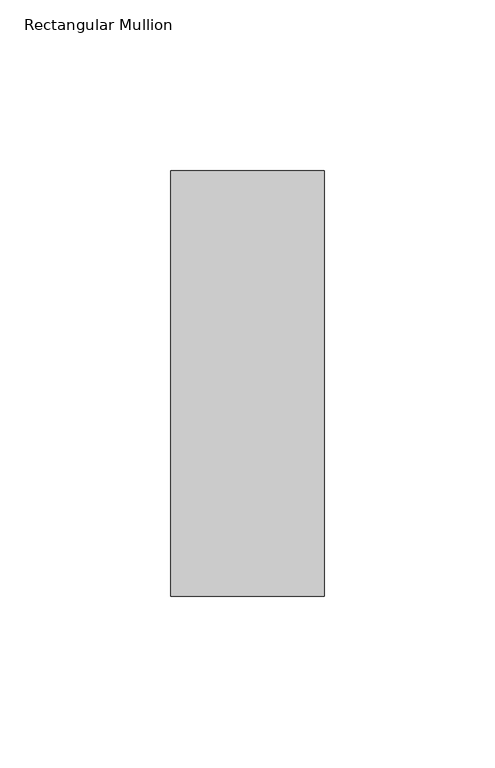
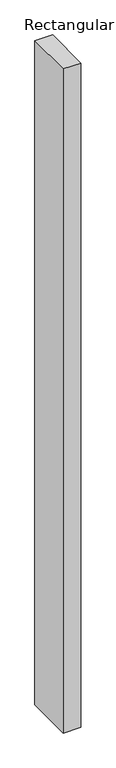
"""IFC4 building model written with IfcOpenShell, lengths in millimetres: member geometry, Rectangular Mullion."""

from ifc_helpers import new_model, si_unit, frame, origin, place, context, project, spatial, polyline, outline, extrude, source, transform, mapped, element, save


def rectangular_mullion_756c7967(model_context):
    return source(origin(), model_context, "Body", "SweptSolid", [
        extrude(outline(polyline([(22.5, 77.84375), (22.5, -46.84375), (-22.5, -46.84375), (-22.5, 77.84375), (22.5, 77.84375)])), frame((0.0, 0.0, -1783.8), z_axis=(0.0, 0.0, 1.0), x_axis=(1.0, 0.0, 0.0)), (0.0, 0.0, 1.0), 1783.8),
    ])


if __name__ == "__main__":
    model = new_model("IFC4")
    model_context = context("Model", 3, world=origin())
    ifc_project = project(units=[si_unit("LENGTHUNIT", "METRE", prefix="MILLI")], contexts=[model_context])
    site = spatial("IfcSite", under=ifc_project)
    building = spatial("IfcBuilding", under=site)
    placement = place(None, origin())
    rectangular_mullion_shape = rectangular_mullion_756c7967(model_context)
    element("IfcMember", 1, ObjectType="Rectangular Mullion", at=placement, inside=building, context=model_context, shape_type="MappedRepresentation", body=[
        mapped(rectangular_mullion_shape, transform((0.0, 0.0, 0.0), x_axis=(1.0, 0.0, 0.0), y_axis=(0.0, 1.0, 0.0), z_axis=(0.0, 0.0, 1.0))),
    ])
    save(model, "model.ifc")
